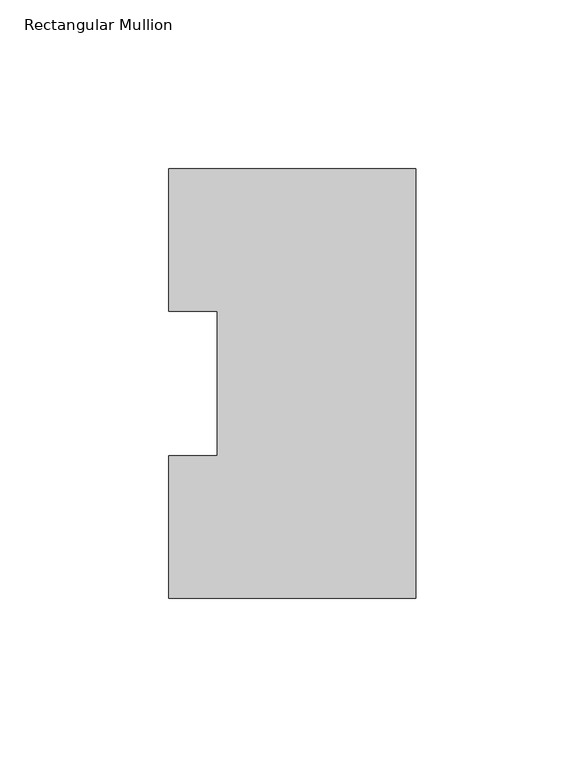
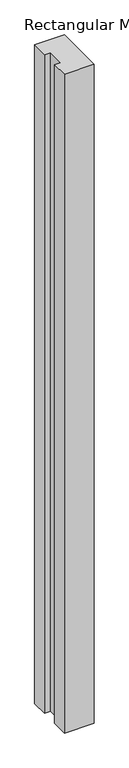
"""IFC4 building model written with IfcOpenShell, lengths in millimetres: member geometry, Rectangular Mullion."""

from ifc_helpers import new_model, si_unit, frame, origin, place, context, project, spatial, polyline, outline, extrude, source, transform, mapped, element, save


def rectangular_mullion_2a17a12e(model_context):
    return source(origin(), model_context, "Body", "SweptSolid", [
        extrude(outline(polyline([(0.0, 127.00635), (0.0, 0.00635), (-73.025, 0.00635), (-73.025, 42.08145), (-58.7375, 42.08145), (-58.7375, 84.93125), (-73.025, 84.93125), (-73.025, 127.00635), (0.0, 127.00635)])), frame((0.0, 0.0, -1714.5005426), z_axis=(0.0, 0.0, 1.0), x_axis=(1.0, 0.0, 0.0)), (0.0, 0.0, 1.0), 1714.5005426),
    ])


if __name__ == "__main__":
    model = new_model("IFC4")
    model_context = context("Model", 3, world=origin())
    ifc_project = project(units=[si_unit("LENGTHUNIT", "METRE", prefix="MILLI")], contexts=[model_context])
    site = spatial("IfcSite", under=ifc_project)
    building = spatial("IfcBuilding", under=site)
    placement = place(None, origin())
    rectangular_mullion_shape = rectangular_mullion_2a17a12e(model_context)
    element("IfcMember", 1, ObjectType="Rectangular Mullion", at=placement, inside=building, context=model_context, shape_type="MappedRepresentation", body=[
        mapped(rectangular_mullion_shape, transform((0.0, 0.0, 0.0), x_axis=(1.0, 0.0, 0.0), y_axis=(0.0, 1.0, 0.0), z_axis=(0.0, 0.0, 1.0))),
    ])
    save(model, "model.ifc")
